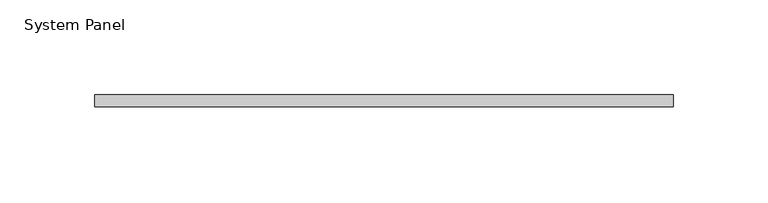
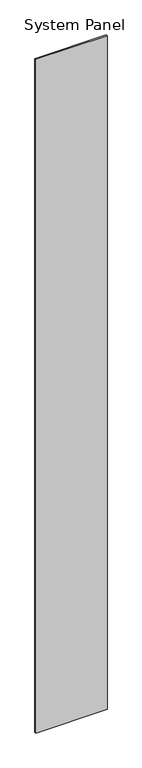
"""IFC4 building model written with IfcOpenShell, lengths in millimetres: plate geometry, System Panel."""

from ifc_helpers import new_model, si_unit, origin, origin_with_axes, place, context, project, spatial, polyline, outline, extrude, source, transform, mapped, element, save


def system_panel_ea0d6cb6(model_context):
    return source(origin(), model_context, "Body", "SweptSolid", [
        extrude(outline(polyline([(152.4197716, -6.35), (-152.4197716, -6.35), (-152.4197716, 0.0), (152.4197716, 0.0), (152.4197716, -6.35)])), origin_with_axes(), (0.0, 0.0, 1.0), 3048.0),
    ])


if __name__ == "__main__":
    model = new_model("IFC4")
    model_context = context("Model", 3, world=origin())
    ifc_project = project(units=[si_unit("LENGTHUNIT", "METRE", prefix="MILLI")], contexts=[model_context])
    site = spatial("IfcSite", under=ifc_project)
    building = spatial("IfcBuilding", under=site)
    placement = place(None, origin())
    system_panel_shape = system_panel_ea0d6cb6(model_context)
    element("IfcPlate", 1, ObjectType="System Panel", at=placement, inside=building, context=model_context, shape_type="MappedRepresentation", body=[
        mapped(system_panel_shape, transform((0.0, 0.0, 0.0), x_axis=(1.0, 0.0, 0.0), y_axis=(0.0, 1.0, 0.0), z_axis=(0.0, 0.0, 1.0))),
    ])
    save(model, "model.ifc")
